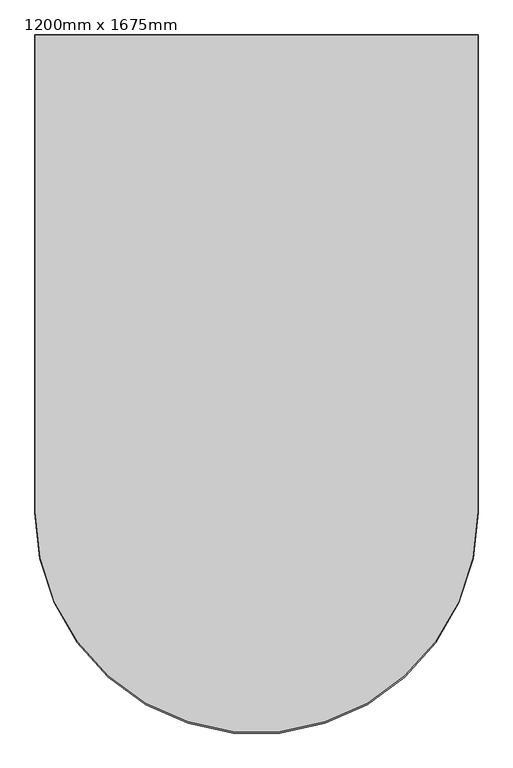
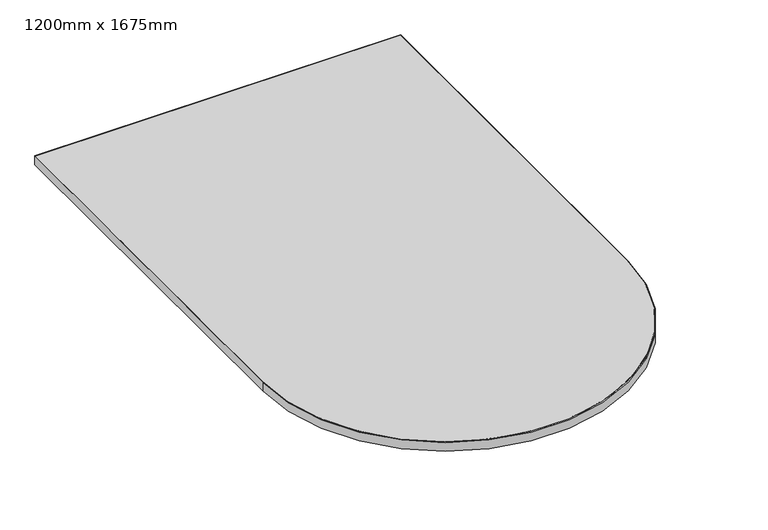
"""IFC4 building model written with IfcOpenShell, lengths in millimetres: furniture geometry, 1200mm x 1675mm."""

from ifc_helpers import new_model, si_unit, point, frame, frame_2d, origin, place, context, project, spatial, polyline, circle_curve, trimmed, segment, composite_curve, outline, extrude, source, transform, mapped, element, save


def furniture_1200mm_x_1675mm_2112d581(model_context):
    return source(origin(), model_context, "Body", "SweptSolid", [
        extrude(outline(composite_curve([segment(polyline([(-1.0160717, -1.0101903), (-1.0160717, -1290.7237818)]), True, "CONTINUOUS"), segment(trimmed(circle_curve(frame_2d((-600.0, -1290.7237818)), 598.9839283), [point((-1.0160717, -1290.7237818))], [point((-1198.9839283, -1290.7237818))], False, "CARTESIAN"), True, "CONTINUOUS"), segment(polyline([(-1198.9839283, -1290.7237818), (-1198.9839283, -1.0101903), (-1.0160717, -1.0101903)]), True, "CONTINUOUS")], self_intersect=False)), frame((0.0, 0.0, 1004.8865398), z_axis=(0.0, 0.0, 1.0), x_axis=(1.0, 0.0, 0.0)), (0.0, 0.0, 1.0), 30.0990349),
        extrude(outline(composite_curve([segment(trimmed(circle_curve(frame_2d((-600.0, -1293.9450118)), 600.0), [point((0.0, -1293.9450118))], [point((-1200.0, -1293.9450118))], False, "CARTESIAN"), True, "CONTINUOUS"), segment(polyline([(-1200.0, -1293.9450118), (-1200.0, 0.0), (0.0, 0.0), (0.0, -1293.9450118)]), True, "CONTINUOUS")], self_intersect=False), holes=[composite_curve([segment(polyline([(-1.0160717, -1290.7237818), (-1.0160717, -1.0101903), (-1198.9839283, -1.0101903), (-1198.9839283, -1290.7237818)]), True, "CONTINUOUS"), segment(trimmed(circle_curve(frame_2d((-600.0, -1290.7237818)), 598.9839283), [point((-1198.9839283, -1290.7237818))], [point((-1.0160717, -1290.7237818))], True, "CARTESIAN"), True, "CONTINUOUS")], self_intersect=False)]), frame((0.0, 0.0, 1004.8865398), z_axis=(0.0, 0.0, 1.0), x_axis=(1.0, 0.0, 0.0)), (0.0, 0.0, 1.0), 30.0990349),
    ])


if __name__ == "__main__":
    model = new_model("IFC4")
    model_context = context("Model", 3, world=origin())
    ifc_project = project(units=[si_unit("LENGTHUNIT", "METRE", prefix="MILLI")], contexts=[model_context])
    site = spatial("IfcSite", under=ifc_project)
    building = spatial("IfcBuilding", under=site)
    placement = place(None, origin())
    furniture_1200mm_x_1675mm_shape = furniture_1200mm_x_1675mm_2112d581(model_context)
    element("IfcFurniture", 1, ObjectType="1200mm x 1675mm", at=placement, inside=building, context=model_context, shape_type="MappedRepresentation", body=[
        mapped(furniture_1200mm_x_1675mm_shape, transform((0.0, 0.0, 0.0), x_axis=(1.0, 0.0, 0.0), y_axis=(0.0, 1.0, 0.0), z_axis=(0.0, 0.0, 1.0))),
    ])
    save(model, "model.ifc")
